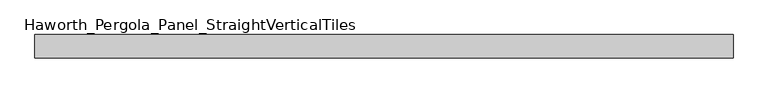
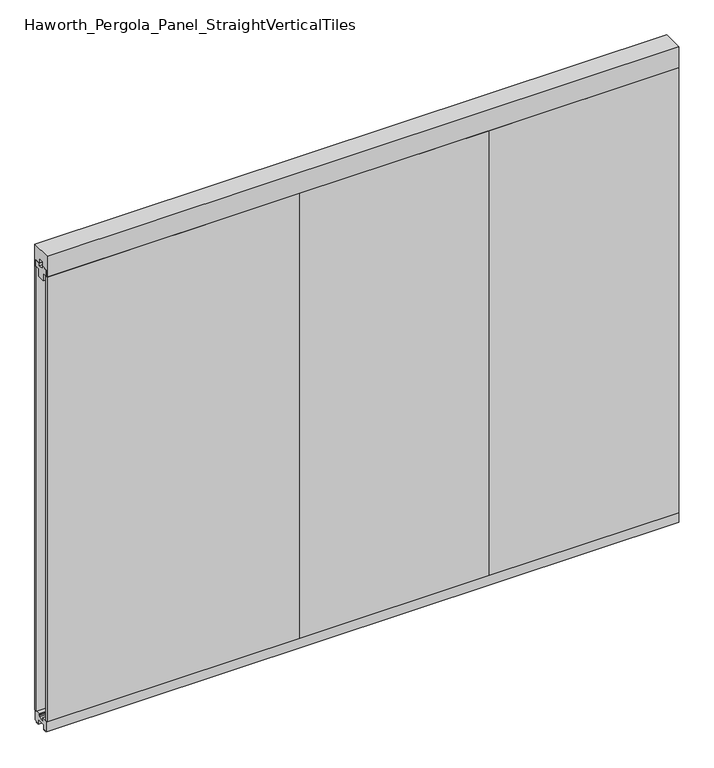
"""IFC4 building model written with IfcOpenShell, lengths in millimetres: furniture geometry, Haworth_Pergola_Panel_StraightVerticalTiles."""

from ifc_helpers import new_model, si_unit, frame, origin, place, context, project, spatial, polyline, outline, extrude, source, transform, mapped, element, save


def haworth_pergola_panel_straightverticaltiles_d36d9b6e(model_context):
    return source(origin(), model_context, "Body", "SweptSolid", [
        extrude(outline(polyline([(12.7, 2363.5890625), (44.45, 2363.5890625), (44.45, 2331.8390625), (19.05, 2331.8390625), (19.05, 2293.7390625), (-19.05, 2293.7390625), (-19.05, 2331.8390625), (-44.45, 2331.8390625), (-44.45, 2363.5890625), (-12.7, 2363.5890625), (-12.7, 2350.8890625), (12.7, 2350.8890625), (12.7, 2363.5890625)])), frame((647.7, 0.0, 0.0), z_axis=(1.0, 0.0, 0.0), x_axis=(0.0, 1.0, 0.0)), (0.0, 0.0, 1.0), 914.4),
        extrude(outline(polyline([(647.7, 50.8), (1562.1, 50.8), (1562.1, 38.1), (647.7, 38.1), (647.7, 50.8)])), frame((0.0, 0.0, 63.5), z_axis=(0.0, 0.0, 1.0), x_axis=(1.0, 0.0, 0.0)), (0.0, 0.0, 1.0), 2268.3390625),
        extrude(outline(polyline([(647.7, -38.1), (1562.1, -38.1), (1562.1, -50.8), (647.7, -50.8), (647.7, -38.1)])), frame((0.0, 0.0, 63.5), z_axis=(0.0, 0.0, 1.0), x_axis=(1.0, 0.0, 0.0)), (0.0, 0.0, 1.0), 2268.3390625),
        extrude(outline(polyline([(12.7, 2363.5890625), (44.45, 2363.5890625), (44.45, 2331.8390625), (19.05, 2331.8390625), (19.05, 2293.7390625), (-19.05, 2293.7390625), (-19.05, 2331.8390625), (-44.45, 2331.8390625), (-44.45, 2363.5890625), (-12.7, 2363.5890625), (-12.7, 2350.8890625), (12.7, 2350.8890625), (12.7, 2363.5890625)])), frame((-266.7, 0.0, 0.0), z_axis=(1.0, 0.0, 0.0), x_axis=(0.0, 1.0, 0.0)), (0.0, 0.0, 1.0), 914.4),
        extrude(outline(polyline([(-266.7, 50.8), (647.7, 50.8), (647.7, 38.1), (-266.7, 38.1), (-266.7, 50.8)])), frame((0.0, 0.0, 63.5), z_axis=(0.0, 0.0, 1.0), x_axis=(1.0, 0.0, 0.0)), (0.0, 0.0, 1.0), 2268.3390625),
        extrude(outline(polyline([(-266.7, -38.1), (647.7, -38.1), (647.7, -50.8), (-266.7, -50.8), (-266.7, -38.1)])), frame((0.0, 0.0, 63.5), z_axis=(0.0, 0.0, 1.0), x_axis=(1.0, 0.0, 0.0)), (0.0, 0.0, 1.0), 2268.3390625),
        extrude(outline(polyline([(12.7, 2363.5890625), (44.45, 2363.5890625), (44.45, 2331.8390625), (19.05, 2331.8390625), (19.05, 2293.7390625), (-19.05, 2293.7390625), (-19.05, 2331.8390625), (-44.45, 2331.8390625), (-44.45, 2363.5890625), (-12.7, 2363.5890625), (-12.7, 2350.8890625), (12.7, 2350.8890625), (12.7, 2363.5890625)])), frame((-1485.9, 0.0, 0.0), z_axis=(1.0, 0.0, 0.0), x_axis=(0.0, 1.0, 0.0)), (0.0, 0.0, 1.0), 1219.2),
        extrude(outline(polyline([(-1485.9, 50.8), (-266.7, 50.8), (-266.7, 38.1), (-1485.9, 38.1), (-1485.9, 50.8)])), frame((0.0, 0.0, 63.5), z_axis=(0.0, 0.0, 1.0), x_axis=(1.0, 0.0, 0.0)), (0.0, 0.0, 1.0), 2268.3390625),
        extrude(outline(polyline([(-1485.9, -38.1), (-266.7, -38.1), (-266.7, -50.8), (-1485.9, -50.8), (-1485.9, -38.1)])), frame((0.0, 0.0, 63.5), z_axis=(0.0, 0.0, 1.0), x_axis=(1.0, 0.0, 0.0)), (0.0, 0.0, 1.0), 2268.3390625),
        extrude(outline(polyline([(-50.8, 2438.4), (50.8, 2438.4), (50.8, 2331.8390625), (15.2182948, 2331.8390625), (15.2182948, 2388.7001663), (-15.2182948, 2388.7001663), (-15.2182948, 2331.8390625), (-50.8, 2331.8390625), (-50.8, 2438.4)])), frame((-1485.9, 0.0, 0.0), z_axis=(1.0, 0.0, 0.0), x_axis=(0.0, 1.0, 0.0)), (0.0, 0.0, 1.0), 3048.0),
        extrude(outline(polyline([(-16.2000002, 63.5), (-16.5085717, 61.7499999), (-13.3999996, 61.7499999), (-13.3999996, 58.8973461), (-15.4000002, 59.2499999), (-15.4000002, 48.3500004), (15.4000003, 48.3500004), (15.4000003, 59.2499999), (13.3999997, 58.8973461), (13.3999997, 61.7499999), (16.5085718, 61.7499999), (16.2000003, 63.5), (50.0000004, 63.5), (50.0000004, 12.6999985), (40.9499987, 12.6999985), (38.9499981, 10.6999979), (28.9499999, 10.6999979), (28.9499999, 7.6999994), (38.9499981, 7.6999994), (38.9499981, 5.6999988), (23.7499993, 5.6999988), (23.7499993, 31.4500009), (-23.7499992, 31.4500009), (-23.7499992, 5.6999988), (-38.949998, 5.6999988), (-38.949998, 7.6999994), (-28.9499998, 7.6999994), (-28.9499998, 10.6999979), (-38.949998, 10.6999979), (-40.9499986, 12.6999985), (-50.0000003, 12.6999985), (-50.0000003, 63.5), (-16.2000002, 63.5)])), frame((-1485.9, 0.0, 0.0), z_axis=(1.0, 0.0, 0.0), x_axis=(0.0, 1.0, 0.0)), (0.0, 0.0, 1.0), 3048.0),
    ])


if __name__ == "__main__":
    model = new_model("IFC4")
    model_context = context("Model", 3, world=origin())
    ifc_project = project(units=[si_unit("LENGTHUNIT", "METRE", prefix="MILLI")], contexts=[model_context])
    site = spatial("IfcSite", under=ifc_project)
    building = spatial("IfcBuilding", under=site)
    placement = place(None, origin())
    haworth_pergola_panel_straightverticaltiles_shape = haworth_pergola_panel_straightverticaltiles_d36d9b6e(model_context)
    element("IfcFurniture", 1, ObjectType="Haworth_Pergola_Panel_StraightVerticalTiles", at=placement, inside=building, context=model_context, shape_type="MappedRepresentation", body=[
        mapped(haworth_pergola_panel_straightverticaltiles_shape, transform((0.0, 0.0, 0.0), x_axis=(1.0, 0.0, 0.0), y_axis=(0.0, 1.0, 0.0), z_axis=(0.0, 0.0, 1.0))),
    ])
    save(model, "model.ifc")
